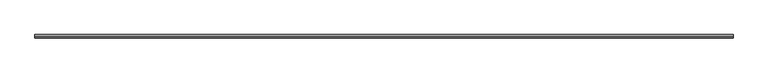
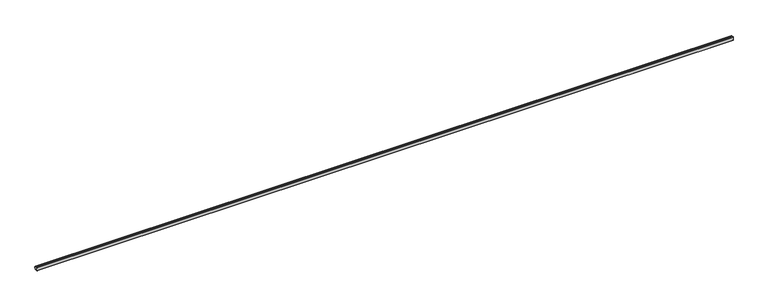
"""IFC4 building model written with IfcOpenShell, lengths in millimetres: railing geometry."""

from ifc_helpers import new_model, si_unit, point, frame, frame_2d, origin, place, context, project, spatial, polyline, circle_curve, trimmed, segment, composite_curve, outline, extrude, source, transform, mapped, element, save


def railing_5aed07cf(model_context):
    return source(origin(), model_context, "Body", "SweptSolid", [
        extrude(outline(composite_curve([segment(trimmed(circle_curve(frame_2d((60291.7766023, 661.2)), 38.0), [point((60327.661836, 648.7))], [point((60291.7766023, 623.2))], False, "CARTESIAN"), True, "CONTINUOUS"), segment(trimmed(circle_curve(frame_2d((60298.3825824, 503.381967)), 120.0), [point((60291.7766023, 623.2))], [point((60247.7379864, 612.1713272))], True, "CARTESIAN"), True, "CONTINUOUS"), segment(trimmed(circle_curve(frame_2d((60244.7766023, 616.2)), 5.0), [point((60247.7379864, 612.1713272))], [point((60239.7766023, 616.2))], False, "CARTESIAN"), True, "CONTINUOUS"), segment(polyline([(60239.7766023, 616.2), (60239.7766023, 706.2)]), True, "CONTINUOUS"), segment(trimmed(circle_curve(frame_2d((60244.7766023, 706.2)), 5.0), [point((60239.7766023, 706.2))], [point((60247.7379864, 710.2286728))], False, "CARTESIAN"), True, "CONTINUOUS"), segment(trimmed(circle_curve(frame_2d((60298.3825824, 819.018033)), 120.0), [point((60247.7379864, 710.2286728))], [point((60291.7766023, 699.2))], True, "CARTESIAN"), True, "CONTINUOUS"), segment(trimmed(circle_curve(frame_2d((60291.7766023, 661.2)), 38.0), [point((60291.7766023, 699.2))], [point((60327.661836, 673.7))], False, "CARTESIAN"), True, "CONTINUOUS"), segment(trimmed(circle_curve(frame_2d((60291.7766023, 661.2)), 38.0), [point((60327.661836, 673.7))], [point((60327.661836, 648.7))], False, "CARTESIAN"), True, "CONTINUOUS")], self_intersect=False)), frame((31170.4663719, 0.0, 0.0), z_axis=(1.0, 0.0, 0.0), x_axis=(0.0, 1.0, 0.0)), (0.0, 0.0, 1.0), 18288.0),
    ])


if __name__ == "__main__":
    model = new_model("IFC4")
    model_context = context("Model", 3, world=origin())
    ifc_project = project(units=[si_unit("LENGTHUNIT", "METRE", prefix="MILLI")], contexts=[model_context])
    site = spatial("IfcSite", under=ifc_project)
    building = spatial("IfcBuilding", under=site)
    placement = place(None, origin())
    railing_shape = railing_5aed07cf(model_context)
    element("IfcRailing", 1, at=placement, inside=building, context=model_context, shape_type="MappedRepresentation", body=[
        mapped(railing_shape, transform((0.0, 0.0, 0.0), x_axis=(1.0, 0.0, 0.0), y_axis=(0.0, 1.0, 0.0), z_axis=(0.0, 0.0, 1.0))),
    ])
    save(model, "model.ifc")
